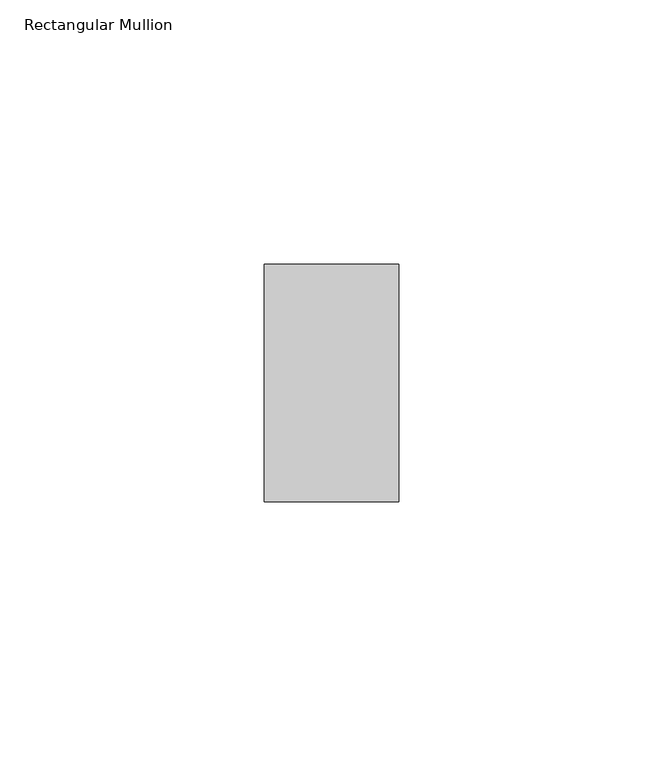
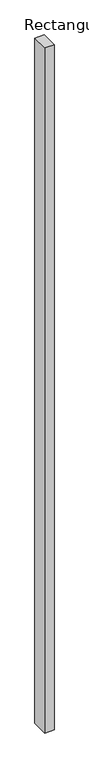
"""IFC4 building model written with IfcOpenShell, lengths in millimetres: member geometry, Rectangular Mullion."""

from ifc_helpers import new_model, si_unit, frame, origin, place, context, project, spatial, polyline, outline, extrude, source, transform, mapped, element, save


def rectangular_mullion_e05ea15c(model_context):
    return source(origin(), model_context, "Body", "SweptSolid", [
        extrude(outline(polyline([(0.0, 22.5110276), (0.0, -22.4889724), (-25.41875, -22.4889724), (-25.41875, 22.5110276), (0.0, 22.5110276)])), frame((0.0, 0.0, -1949.1625), z_axis=(0.0, 0.0, 1.0), x_axis=(1.0, 0.0, 0.0)), (0.0, 0.0, 1.0), 1949.1625),
    ])


if __name__ == "__main__":
    model = new_model("IFC4")
    model_context = context("Model", 3, world=origin())
    ifc_project = project(units=[si_unit("LENGTHUNIT", "METRE", prefix="MILLI")], contexts=[model_context])
    site = spatial("IfcSite", under=ifc_project)
    building = spatial("IfcBuilding", under=site)
    placement = place(None, origin())
    rectangular_mullion_shape = rectangular_mullion_e05ea15c(model_context)
    element("IfcMember", 1, ObjectType="Rectangular Mullion", at=placement, inside=building, context=model_context, shape_type="MappedRepresentation", body=[
        mapped(rectangular_mullion_shape, transform((0.0, 0.0, 0.0), x_axis=(1.0, 0.0, 0.0), y_axis=(0.0, 1.0, 0.0), z_axis=(0.0, 0.0, 1.0))),
    ])
    save(model, "model.ifc")
